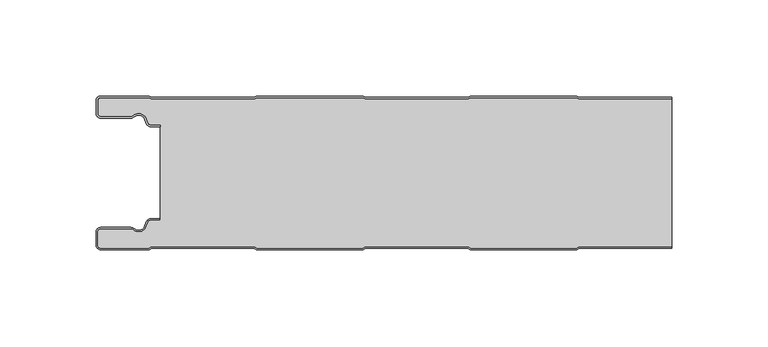
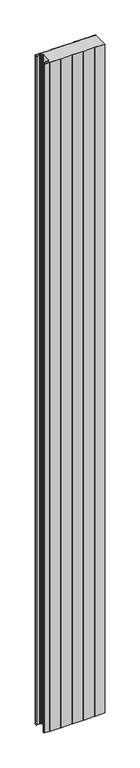
"""IFC4 building model written with IfcOpenShell, lengths in millimetres: plate geometry."""

from ifc_helpers import new_model, si_unit, point, frame_2d, origin, origin_with_axes, place, context, project, spatial, polyline, circle_curve, trimmed, segment, composite_curve, outline, extrude, source, transform, mapped, element, save


def plate_ee1a2d1a(model_context):
    return source(origin(), model_context, "Body", "SweptSolid", [
        extrude(outline(composite_curve([segment(trimmed(circle_curve(frame_2d((-147.483016, -9.0180361)), 2.50501), [point((-147.483016, -11.5230461))], [point((-149.9880261, -9.0180361))], False, "CARTESIAN"), True, "CONTINUOUS"), segment(polyline([(-149.9880261, -9.0180361), (-149.9880261, -2.50501)]), True, "CONTINUOUS"), segment(trimmed(circle_curve(frame_2d((-147.483016, -2.50501)), 2.50501), [point((-149.9880261, -2.50501))], [point((-147.483016, 0.0))], False, "CARTESIAN"), True, "CONTINUOUS"), segment(polyline([(-147.483016, 0.0), (-122.1983267, 0.0), (-121.016214, -0.6012024), (-67.6271727, -0.6012024), (-66.44506, 0.0), (-10.8656614, 0.0), (-9.6835487, -0.6012024), (43.7054926, -0.6012024), (44.8876053, 0.0), (100.4670039, 0.0), (101.6491166, -0.6012024), (149.9880261, -0.6012024), (149.9880261, -1.4012024), (101.4573702, -1.4012024), (100.2752576, -0.8), (45.0793517, -0.8), (43.897239, -1.4012024), (-9.8752951, -1.4012024), (-11.0574078, -0.8), (-66.2533137, -0.8), (-67.4354264, -1.4012024), (-121.2079604, -1.4012024), (-122.3900731, -0.8), (-147.483016, -0.8)]), True, "CONTINUOUS"), segment(trimmed(circle_curve(frame_2d((-147.483016, -2.50501)), 1.70501), [point((-147.483016, -0.8))], [point((-149.1880261, -2.50501))], True, "CARTESIAN"), True, "CONTINUOUS"), segment(polyline([(-149.1880261, -2.50501), (-149.1880261, -9.0180361)]), True, "CONTINUOUS"), segment(trimmed(circle_curve(frame_2d((-147.483016, -9.0180361)), 1.70501), [point((-149.1880261, -9.0180361))], [point((-147.483016, -10.7230461))], True, "CARTESIAN"), True, "CONTINUOUS"), segment(polyline([(-147.483016, -10.7230461), (-131.8053543, -10.7230461)]), True, "CONTINUOUS"), segment(trimmed(circle_curve(frame_2d((-131.8053543, -9.0180361)), 1.70501), [point((-131.8053543, -10.7230461))], [point((-130.6775962, -10.2967936))], True, "CARTESIAN"), True, "CONTINUOUS"), segment(trimmed(circle_curve(frame_2d((-127.8287742, -13.5270541)), 4.307014), [point((-130.6775962, -10.2967936))], [point((-123.7815049, -12.0539686))], False, "CARTESIAN"), True, "CONTINUOUS"), segment(polyline([(-123.7815049, -12.0539686), (-123.0330972, -14.1102019)]), True, "CONTINUOUS"), segment(trimmed(circle_curve(frame_2d((-121.4309118, -13.5270541)), 1.70501), [point((-123.0330972, -14.1102019))], [point((-121.4309118, -15.2320641))], True, "CARTESIAN"), True, "CONTINUOUS"), segment(polyline([(-121.4309118, -15.2320641), (-116.4208918, -15.2320641), (-116.4208918, -16.0320641), (-121.4309118, -16.0320641)]), True, "CONTINUOUS"), segment(trimmed(circle_curve(frame_2d((-121.4309118, -13.5270541)), 2.50501), [point((-121.4309118, -16.0320641))], [point((-123.7848513, -14.383818))], False, "CARTESIAN"), True, "CONTINUOUS"), segment(polyline([(-123.7848513, -14.383818), (-124.533259, -12.3275847)]), True, "CONTINUOUS"), segment(trimmed(circle_curve(frame_2d((-127.8287742, -13.5270541)), 3.507014), [point((-124.533259, -12.3275847))], [point((-130.1484459, -10.8967936))], True, "CARTESIAN"), True, "CONTINUOUS"), segment(trimmed(circle_curve(frame_2d((-131.8053543, -9.0180361)), 2.50501), [point((-130.1484459, -10.8967936))], [point((-131.8053543, -11.5230461))], False, "CARTESIAN"), True, "CONTINUOUS"), segment(polyline([(-131.8053543, -11.5230461), (-147.483016, -11.5230461)]), True, "CONTINUOUS")], self_intersect=False)), origin_with_axes(), (0.0, 0.0, 1.0), 3500.0),
        extrude(outline(composite_curve([segment(trimmed(circle_curve(frame_2d((-121.4309118, -13.5270541)), 1.70501), [point((-121.4309118, -15.2320641))], [point((-123.0330972, -14.1102019))], False, "CARTESIAN"), True, "CONTINUOUS"), segment(polyline([(-123.0330972, -14.1102019), (-123.7815049, -12.0539686)]), True, "CONTINUOUS"), segment(trimmed(circle_curve(frame_2d((-127.8287742, -13.5270541)), 4.307014), [point((-123.7815049, -12.0539686))], [point((-130.6775962, -10.2967936))], True, "CARTESIAN"), True, "CONTINUOUS"), segment(trimmed(circle_curve(frame_2d((-131.8053543, -9.0180361)), 1.70501), [point((-130.6775962, -10.2967936))], [point((-131.8053543, -10.7230461))], False, "CARTESIAN"), True, "CONTINUOUS"), segment(polyline([(-131.8053543, -10.7230461), (-147.483016, -10.7230461)]), True, "CONTINUOUS"), segment(trimmed(circle_curve(frame_2d((-147.483016, -9.0180361)), 1.70501), [point((-147.483016, -10.7230461))], [point((-149.1880261, -9.0180361))], False, "CARTESIAN"), True, "CONTINUOUS"), segment(polyline([(-149.1880261, -9.0180361), (-149.1880261, -2.50501)]), True, "CONTINUOUS"), segment(trimmed(circle_curve(frame_2d((-147.483016, -2.50501)), 1.70501), [point((-149.1880261, -2.50501))], [point((-147.483016, -0.8))], False, "CARTESIAN"), True, "CONTINUOUS"), segment(polyline([(-147.483016, -0.8), (-122.3900731, -0.8), (-121.2079604, -1.4012024), (-67.4354264, -1.4012024), (-66.2533137, -0.8), (-11.0574078, -0.8), (-9.8752951, -1.4012024), (43.897239, -1.4012024), (45.0793517, -0.8), (100.2752576, -0.8), (101.4573702, -1.4012024), (149.9880261, -1.4012024), (149.9880261, -78.5987976), (101.4573702, -78.5987976), (100.2752576, -79.2), (45.0793517, -79.2), (43.897239, -78.5987976), (-9.8752951, -78.5987976), (-11.0574078, -79.2), (-66.2533137, -79.2), (-67.4354264, -78.5987976), (-121.2079604, -78.5987976), (-122.3900731, -79.2), (-147.483016, -79.2)]), True, "CONTINUOUS"), segment(trimmed(circle_curve(frame_2d((-147.483016, -77.49499)), 1.70501), [point((-147.483016, -79.2))], [point((-149.1880261, -77.49499))], False, "CARTESIAN"), True, "CONTINUOUS"), segment(polyline([(-149.1880261, -77.49499), (-149.1880261, -70.9819639)]), True, "CONTINUOUS"), segment(trimmed(circle_curve(frame_2d((-147.483016, -70.9819639)), 1.70501), [point((-149.1880261, -70.9819639))], [point((-147.483016, -69.2769539))], False, "CARTESIAN"), True, "CONTINUOUS"), segment(polyline([(-147.483016, -69.2769539), (-131.8053543, -69.2769539)]), True, "CONTINUOUS"), segment(trimmed(circle_curve(frame_2d((-131.8053543, -70.9819639)), 1.70501), [point((-131.8053543, -69.2769539))], [point((-130.6775962, -69.7032064))], False, "CARTESIAN"), True, "CONTINUOUS"), segment(trimmed(circle_curve(frame_2d((-127.8287742, -66.4729459)), 4.307014), [point((-130.6775962, -69.7032064))], [point((-123.7815049, -67.9460314))], True, "CARTESIAN"), True, "CONTINUOUS"), segment(polyline([(-123.7815049, -67.9460314), (-123.0330972, -65.8897981)]), True, "CONTINUOUS"), segment(trimmed(circle_curve(frame_2d((-121.4309118, -66.4729459)), 1.70501), [point((-123.0330972, -65.8897981))], [point((-121.4309118, -64.7679359))], False, "CARTESIAN"), True, "CONTINUOUS"), segment(polyline([(-121.4309118, -64.7679359), (-116.4208918, -64.7679359), (-116.4208918, -15.2320641), (-121.4309118, -15.2320641)]), True, "CONTINUOUS")], self_intersect=False)), origin_with_axes(), (0.0, 0.0, 1.0), 3500.0),
        extrude(outline(composite_curve([segment(polyline([(-147.483016, -68.4769539), (-131.8053543, -68.4769539)]), True, "CONTINUOUS"), segment(trimmed(circle_curve(frame_2d((-131.8053543, -70.9819639)), 2.50501), [point((-131.8053543, -68.4769539))], [point((-130.1484459, -69.1032064))], False, "CARTESIAN"), True, "CONTINUOUS"), segment(trimmed(circle_curve(frame_2d((-127.8287742, -66.4729459)), 3.507014), [point((-130.1484459, -69.1032064))], [point((-124.533259, -67.6724153))], True, "CARTESIAN"), True, "CONTINUOUS"), segment(polyline([(-124.533259, -67.6724153), (-123.7848513, -65.616182)]), True, "CONTINUOUS"), segment(trimmed(circle_curve(frame_2d((-121.4309118, -66.4729459)), 2.50501), [point((-123.7848513, -65.616182))], [point((-121.4309118, -63.9679359))], False, "CARTESIAN"), True, "CONTINUOUS"), segment(polyline([(-121.4309118, -63.9679359), (-116.4208918, -63.9679359), (-116.4208918, -64.7679359), (-121.4309118, -64.7679359)]), True, "CONTINUOUS"), segment(trimmed(circle_curve(frame_2d((-121.4309118, -66.4729459)), 1.70501), [point((-121.4309118, -64.7679359))], [point((-123.0330972, -65.8897981))], True, "CARTESIAN"), True, "CONTINUOUS"), segment(polyline([(-123.0330972, -65.8897981), (-123.7815049, -67.9460314)]), True, "CONTINUOUS"), segment(trimmed(circle_curve(frame_2d((-127.8287742, -66.4729459)), 4.307014), [point((-123.7815049, -67.9460314))], [point((-130.6775962, -69.7032064))], False, "CARTESIAN"), True, "CONTINUOUS"), segment(trimmed(circle_curve(frame_2d((-131.8053543, -70.9819639)), 1.70501), [point((-130.6775962, -69.7032064))], [point((-131.8053543, -69.2769539))], True, "CARTESIAN"), True, "CONTINUOUS"), segment(polyline([(-131.8053543, -69.2769539), (-147.483016, -69.2769539)]), True, "CONTINUOUS"), segment(trimmed(circle_curve(frame_2d((-147.483016, -70.9819639)), 1.70501), [point((-147.483016, -69.2769539))], [point((-149.1880261, -70.9819639))], True, "CARTESIAN"), True, "CONTINUOUS"), segment(polyline([(-149.1880261, -70.9819639), (-149.1880261, -77.49499)]), True, "CONTINUOUS"), segment(trimmed(circle_curve(frame_2d((-147.483016, -77.49499)), 1.70501), [point((-149.1880261, -77.49499))], [point((-147.483016, -79.2))], True, "CARTESIAN"), True, "CONTINUOUS"), segment(polyline([(-147.483016, -79.2), (-122.3900731, -79.2), (-121.2079604, -78.5987976), (-67.4354264, -78.5987976), (-66.2533137, -79.2), (-11.0574078, -79.2), (-9.8752951, -78.5987976), (43.897239, -78.5987976), (45.0793517, -79.2), (100.2752576, -79.2), (101.4573702, -78.5987976), (149.9880261, -78.5987976), (149.9880261, -79.3987976), (101.6491166, -79.3987976), (100.4670039, -80.0), (44.8876053, -80.0), (43.7054926, -79.3987976), (-9.6835487, -79.3987976), (-10.8656614, -80.0), (-66.44506, -80.0), (-67.6271727, -79.3987976), (-121.016214, -79.3987976), (-122.1983267, -80.0), (-147.483016, -80.0)]), True, "CONTINUOUS"), segment(trimmed(circle_curve(frame_2d((-147.483016, -77.49499)), 2.50501), [point((-147.483016, -80.0))], [point((-149.9880261, -77.49499))], False, "CARTESIAN"), True, "CONTINUOUS"), segment(polyline([(-149.9880261, -77.49499), (-149.9880261, -70.9819639)]), True, "CONTINUOUS"), segment(trimmed(circle_curve(frame_2d((-147.483016, -70.9819639)), 2.50501), [point((-149.9880261, -70.9819639))], [point((-147.483016, -68.4769539))], False, "CARTESIAN"), True, "CONTINUOUS")], self_intersect=False)), origin_with_axes(), (0.0, 0.0, 1.0), 3500.0),
    ])


if __name__ == "__main__":
    model = new_model("IFC4")
    model_context = context("Model", 3, world=origin())
    ifc_project = project(units=[si_unit("LENGTHUNIT", "METRE", prefix="MILLI")], contexts=[model_context])
    site = spatial("IfcSite", under=ifc_project)
    building = spatial("IfcBuilding", under=site)
    placement = place(None, origin())
    plate_shape = plate_ee1a2d1a(model_context)
    element("IfcPlate", 1, at=placement, inside=building, context=model_context, shape_type="MappedRepresentation", body=[
        mapped(plate_shape, transform((0.0, 0.0, 0.0), x_axis=(1.0, 0.0, 0.0), y_axis=(0.0, 1.0, 0.0), z_axis=(0.0, 0.0, 1.0))),
    ])
    save(model, "model.ifc")
